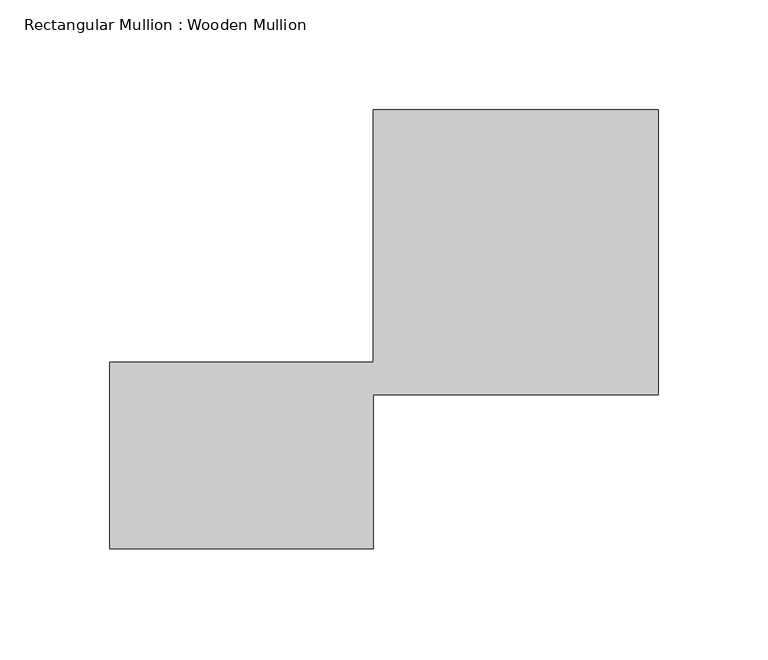
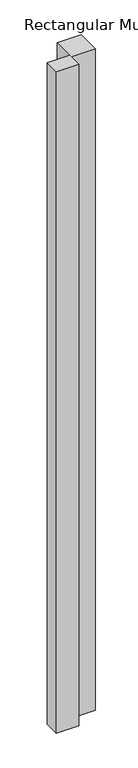
"""IFC4 building model written with IfcOpenShell, lengths in millimetres: member geometry, Rectangular Mullion : Wooden Mullion."""

from ifc_helpers import new_model, si_unit, frame, origin, place, context, project, spatial, polyline, outline, extrude, source, transform, mapped, element, save


def rectangular_mullion_wooden_mullion_4aec0cd0(model_context):
    return source(origin(), model_context, "Body", "SweptSolid", [
        extrude(outline(polyline([(74.8100006, -26.0137344), (-45.1899994, -26.0137344), (-45.1899994, 58.9862656), (74.8100006, 58.9862656), (74.8100006, 173.9862656), (204.8100006, 173.9862656), (204.8100006, 43.9862656), (74.8100006, 43.9862656), (74.8100006, -26.0137344)])), frame((0.0, 0.0, -3764.3559042), z_axis=(0.0, 0.0, 1.0), x_axis=(1.0, 0.0, 0.0)), (0.0, 0.0, 1.0), 3764.3559042),
    ])


if __name__ == "__main__":
    model = new_model("IFC4")
    model_context = context("Model", 3, world=origin())
    ifc_project = project(units=[si_unit("LENGTHUNIT", "METRE", prefix="MILLI")], contexts=[model_context])
    site = spatial("IfcSite", under=ifc_project)
    building = spatial("IfcBuilding", under=site)
    placement = place(None, origin())
    rectangular_mullion_wooden_mullion_shape = rectangular_mullion_wooden_mullion_4aec0cd0(model_context)
    element("IfcMember", 1, ObjectType="Rectangular Mullion : Wooden Mullion", at=placement, inside=building, context=model_context, shape_type="MappedRepresentation", body=[
        mapped(rectangular_mullion_wooden_mullion_shape, transform((0.0, 0.0, 0.0), x_axis=(1.0, 0.0, 0.0), y_axis=(0.0, 1.0, 0.0), z_axis=(0.0, 0.0, 1.0))),
    ])
    save(model, "model.ifc")
